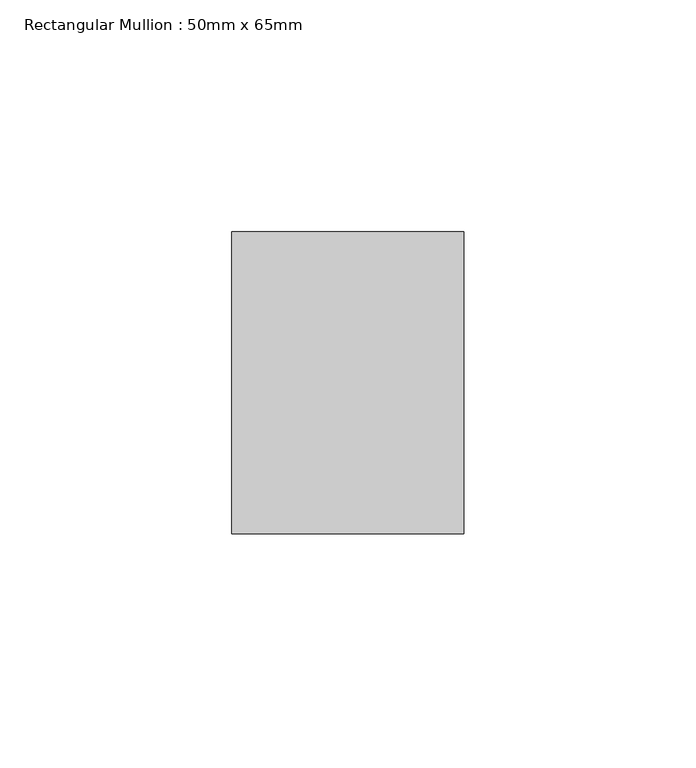
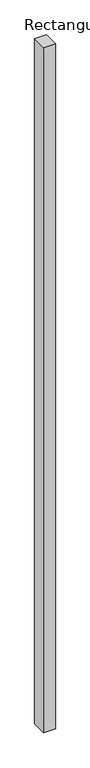
"""IFC4 building model written with IfcOpenShell, lengths in millimetres: member geometry, Rectangular Mullion : 50mm x 65mm."""

from ifc_helpers import new_model, si_unit, frame, origin, place, context, project, spatial, polyline, outline, extrude, source, transform, mapped, element, save


def rectangular_mullion_50mm_x_65mm_c8ec7a4d(model_context):
    return source(origin(), model_context, "Body", "SweptSolid", [
        extrude(outline(polyline([(25.0, 32.5), (25.0, -32.5), (-25.0, -32.5), (-25.0, 32.5), (25.0, 32.5)])), frame((0.0, 0.0, -3078.7115216), z_axis=(0.0, 0.0, 1.0), x_axis=(1.0, 0.0, 0.0)), (0.0, 0.0, 1.0), 3078.7115216),
    ])


if __name__ == "__main__":
    model = new_model("IFC4")
    model_context = context("Model", 3, world=origin())
    ifc_project = project(units=[si_unit("LENGTHUNIT", "METRE", prefix="MILLI")], contexts=[model_context])
    site = spatial("IfcSite", under=ifc_project)
    building = spatial("IfcBuilding", under=site)
    placement = place(None, origin())
    rectangular_mullion_50mm_x_65mm_shape = rectangular_mullion_50mm_x_65mm_c8ec7a4d(model_context)
    element("IfcMember", 1, ObjectType="Rectangular Mullion : 50mm x 65mm", at=placement, inside=building, context=model_context, shape_type="MappedRepresentation", body=[
        mapped(rectangular_mullion_50mm_x_65mm_shape, transform((0.0, 0.0, 0.0), x_axis=(1.0, 0.0, 0.0), y_axis=(0.0, 1.0, 0.0), z_axis=(0.0, 0.0, 1.0))),
    ])
    save(model, "model.ifc")
